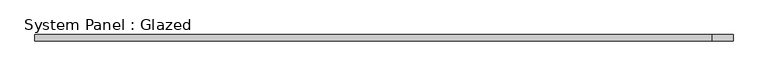
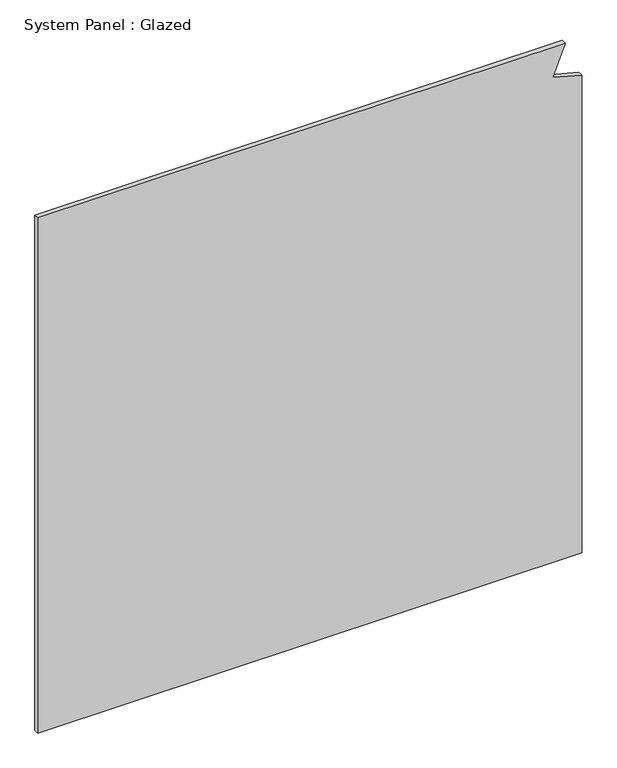
"""IFC4 building model written with IfcOpenShell, lengths in millimetres: plate geometry, System Panel : Glazed."""

import ifcopenshell
import ifcopenshell.guid

model = None  # the IFC model being written
_history = None  # IfcOwnerHistory: only IFC2X3 demands one
_inside = {}  # id of a spatial element -> (the spatial element, [elements in it])
_under = {}  # id of a project, library or spatial element -> (it, [spatial elements below it])
_declared = {}  # id of a project -> (the project, [libraries it declares])
_typed = {}  # id of a type object -> (the type object, [elements of that type])
_made_of = {}  # id of a material, layer set ... -> (it, [elements and type objects made of it])


def new_model(schema):
    """Start an empty IFC model of exactly this schema.

    Asked for "IFC4X3", IfcOpenShell would pick the latest addendum, in which some entities
    have other attributes; the version numbers below select the first issue.
    IFC2X3 requires an IfcOwnerHistory on every rooted entity: one is made here for all.
    """
    global model, _history
    if schema == "IFC4X3":
        model = ifcopenshell.file(schema_version=(4, 3, 0, 0))
    else:
        model = ifcopenshell.file(schema=schema)
    _inside.clear()
    _under.clear()
    _declared.clear()
    _typed.clear()
    _made_of.clear()
    _history = None
    if model.schema == "IFC2X3":
        org = make("IfcOrganization", Name="unknown")
        user = make(
            "IfcPersonAndOrganization",
            ThePerson=make("IfcPerson", FamilyName="unknown"),
            TheOrganization=org,
        )
        app = make(
            "IfcApplication",
            ApplicationDeveloper=org,
            Version="unknown",
            ApplicationFullName="unknown",
            ApplicationIdentifier="unknown",
        )
        _history = make(
            "IfcOwnerHistory",
            OwningUser=user,
            OwningApplication=app,
            ChangeAction="ADDED",
            CreationDate=0,
        )
    return model


def make(cls, **values):
    """One entity of the class cls with the attributes given. An attribute that is None is left unset."""
    return model.create_entity(
        cls, **{name: value for name, value in values.items() if value is not None}
    )


def rooted(cls, **values):
    """An entity with a GlobalId (a new one), such as an element, a storey or a relation."""
    return make(cls, GlobalId=ifcopenshell.guid.new(), OwnerHistory=_history, **values)


def si_unit(unit_type, name, prefix=None):
    """IfcSIUnit, for example si_unit("LENGTHUNIT", "METRE", prefix="MILLI")."""
    return make("IfcSIUnit", UnitType=unit_type, Prefix=prefix, Name=name)


def assignment(units):
    """IfcUnitAssignment: the units of a project."""
    return None if units is None else make("IfcUnitAssignment", Units=units)


def point(xyz):
    """IfcCartesianPoint."""
    return None if xyz is None else make("IfcCartesianPoint", Coordinates=xyz)


def direction(xyz):
    """IfcDirection."""
    return None if xyz is None else make("IfcDirection", DirectionRatios=xyz)


def frame(location, z_axis=None, x_axis=None):
    """IfcAxis2Placement3D, a coordinate frame: its origin and axes. An axis left out is left unset."""
    return make(
        "IfcAxis2Placement3D",
        Location=point(location),
        Axis=direction(z_axis),
        RefDirection=direction(x_axis),
    )


def origin():
    """The frame at (0, 0, 0) with its axes left unset."""
    return frame((0.0, 0.0, 0.0))


def place(relative_to, where):
    """IfcLocalPlacement: puts the frame where relative to a parent placement (None: the world)."""
    return make(
        "IfcLocalPlacement", PlacementRelTo=relative_to, RelativePlacement=where
    )


def context(
    kind, dimensions, precision=None, world=None, true_north=None, identifier=None
):
    """IfcGeometricRepresentationContext, for example the 3D "Model" context."""
    return make(
        "IfcGeometricRepresentationContext",
        ContextIdentifier=identifier,
        ContextType=kind,
        CoordinateSpaceDimension=dimensions,
        Precision=precision,
        WorldCoordinateSystem=world,
        TrueNorth=true_north,
    )


def project(units=None, contexts=None):
    """IfcProject with its units and contexts."""
    return rooted(
        "IfcProject",
        Name="project",
        RepresentationContexts=contexts,
        UnitsInContext=assignment(units),
    )


def spatial(cls, under=None, at=None, **own):
    """A site, building, storey or space (cls), placed at a placement, below another one or the project."""
    s = rooted(cls, ObjectPlacement=at, **own)
    if under is not None:
        _under.setdefault(under.id(), (under, []))[1].append(s)
    return s


def polyline(points):
    """IfcPolyline through the points."""
    return make("IfcPolyline", Points=[point(p) for p in points])


def outline(outer, holes=None, kind="AREA"):
    """IfcArbitraryClosedProfileDef: a profile drawn as a closed curve; with holes, ...WithVoids."""
    if holes is None:
        return make("IfcArbitraryClosedProfileDef", ProfileType=kind, OuterCurve=outer)
    return make(
        "IfcArbitraryProfileDefWithVoids",
        ProfileType=kind,
        OuterCurve=outer,
        InnerCurves=holes,
    )


def extrude(swept, where, along, depth):
    """IfcExtrudedAreaSolid: the profile swept, set in the frame where, extruded along a direction by depth."""
    return make(
        "IfcExtrudedAreaSolid",
        SweptArea=swept,
        Position=where,
        ExtrudedDirection=direction(along),
        Depth=depth,
    )


def shape(context_of_items, identifier, shape_type, items):
    """IfcShapeRepresentation: the items that make up one representation, for example the "Body"."""
    return make(
        "IfcShapeRepresentation",
        ContextOfItems=context_of_items,
        RepresentationIdentifier=identifier,
        RepresentationType=shape_type,
        Items=items,
    )


def source(mapping_origin, context_of_items, identifier, shape_type, items):
    """IfcRepresentationMap: a shape defined once, which mapped items show again and again."""
    return make(
        "IfcRepresentationMap",
        MappingOrigin=mapping_origin,
        MappedRepresentation=shape(context_of_items, identifier, shape_type, items),
    )


def transform(
    local_origin,
    x_axis=None,
    y_axis=None,
    z_axis=None,
    scale=None,
    scale2=None,
    scale3=None,
    uniform=True,
):
    """IfcCartesianTransformationOperator3D, or its non-uniform kind. x_axis, y_axis, z_axis: its Axis1, 2, 3."""
    if uniform:
        return make(
            "IfcCartesianTransformationOperator3D",
            Axis1=direction(x_axis),
            Axis2=direction(y_axis),
            LocalOrigin=point(local_origin),
            Scale=scale,
            Axis3=direction(z_axis),
        )
    return make(
        "IfcCartesianTransformationOperator3DnonUniform",
        Axis1=direction(x_axis),
        Axis2=direction(y_axis),
        LocalOrigin=point(local_origin),
        Scale=scale,
        Axis3=direction(z_axis),
        Scale2=scale2,
        Scale3=scale3,
    )


def mapped(mapping_source, mapping_target):
    """IfcMappedItem: shows the shape of a source again, moved by a transform."""
    return make(
        "IfcMappedItem", MappingSource=mapping_source, MappingTarget=mapping_target
    )


def made_of(thing, what):
    """Note that an element or type object is made of a material, layer set ...; save() writes the relation."""
    if what is not None:
        _made_of.setdefault(what.id(), (what, []))[1].append(thing)
    return thing


def element(
    cls,
    number,
    at=None,
    inside=None,
    cuts=None,
    type_object=None,
    material=None,
    context=None,
    identifier="Body",
    shape_type=None,
    held_by="IfcProductDefinitionShape",
    body=None,
    shapes=None,
    **own,
):
    """One element of the class cls, such as IfcWall. Its Tag is "e" and its number.

    at: its placement. inside: the storey or other place that contains it. cuts: it is an
    opening in that element (IfcRelVoidsElement). A single representation is given by context,
    identifier, shape_type and body (its items); several are given by shapes. held_by: the class
    of the entity that holds the representations. save() writes the other relations.
    """
    e = rooted(cls, Tag="e%d" % number, ObjectPlacement=at, **own)
    if body is not None:
        shapes = [shape(context, identifier, shape_type, body)]
    if shapes is not None:
        e.Representation = make(held_by, Representations=shapes)
    if inside is not None:
        _inside.setdefault(inside.id(), (inside, []))[1].append(e)
    if cuts is not None:
        rooted(
            "IfcRelVoidsElement", RelatingBuildingElement=cuts, RelatedOpeningElement=e
        )
    if type_object is not None:
        _typed.setdefault(type_object.id(), (type_object, []))[1].append(e)
    return made_of(e, material)


def aggregate(whole, parts):
    """IfcRelAggregates: a whole, such as a stair, and the parts it consists of."""
    return rooted("IfcRelAggregates", RelatingObject=whole, RelatedObjects=parts)


def save(model, path):
    """Write the relations noted so far, then the file.

    IfcRelAggregates (storeys below a building ...), IfcRelContainedInSpatialStructure (elements
    in a storey), IfcRelDefinesByType, IfcRelAssociatesMaterial and IfcRelDeclares: one each for
    every whole, place, type object, material and project.
    """
    for whole, parts in _under.values():
        aggregate(whole, parts)
    for where, things in _inside.values():
        rooted(
            "IfcRelContainedInSpatialStructure",
            RelatedElements=things,
            RelatingStructure=where,
        )
    for kind, things in _typed.values():
        rooted("IfcRelDefinesByType", RelatedObjects=things, RelatingType=kind)
    for what, things in _made_of.values():
        rooted("IfcRelAssociatesMaterial", RelatedObjects=things, RelatingMaterial=what)
    for by, libraries in _declared.values():
        rooted("IfcRelDeclares", RelatingContext=by, RelatedDefinitions=libraries)
    model.write(path)


def system_panel_glazed_95da6a5b(model_context):
    return source(origin(), model_context, "Body", "SweptSolid", [
        extrude(outline(polyline([(0.0, -1425.0), (0.0, 1425.0), (2642.9740104, 1425.0), (2683.5185434, 1273.6857427), (2850.0, 1338.3905039), (2850.0, -1425.0), (0.0, -1425.0)])), frame((0.0, -22.5, 0.0), z_axis=(0.0, 1.0, 0.0), x_axis=(0.0, 0.0, 1.0)), (0.0, 0.0, 1.0), 25.0),
    ])


if __name__ == "__main__":
    model = new_model("IFC4")
    model_context = context("Model", 3, world=origin())
    ifc_project = project(units=[si_unit("LENGTHUNIT", "METRE", prefix="MILLI")], contexts=[model_context])
    site = spatial("IfcSite", under=ifc_project)
    building = spatial("IfcBuilding", under=site)
    placement = place(None, origin())
    system_panel_glazed_shape = system_panel_glazed_95da6a5b(model_context)
    element("IfcPlate", 1, ObjectType="System Panel : Glazed", at=placement, inside=building, context=model_context, shape_type="MappedRepresentation", body=[
        mapped(system_panel_glazed_shape, transform((0.0, 0.0, 0.0), x_axis=(1.0, 0.0, 0.0), y_axis=(0.0, 1.0, 0.0), z_axis=(0.0, 0.0, 1.0))),
    ])
    save(model, "model.ifc")
